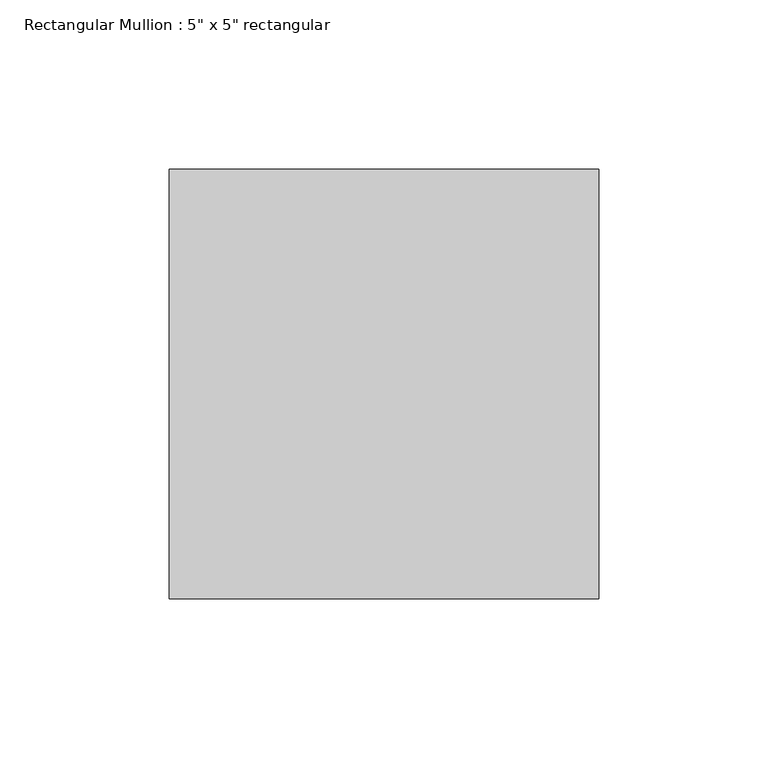
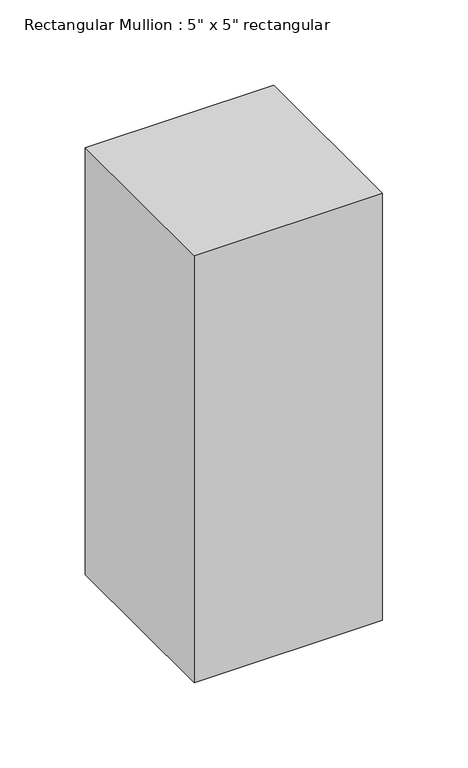
"""IFC4 building model written with IfcOpenShell, lengths in millimetres: member geometry."""

import ifcopenshell
import ifcopenshell.guid

model = None  # the IFC model being written
_history = None  # IfcOwnerHistory: only IFC2X3 demands one
_inside = {}  # id of a spatial element -> (the spatial element, [elements in it])
_under = {}  # id of a project, library or spatial element -> (it, [spatial elements below it])
_declared = {}  # id of a project -> (the project, [libraries it declares])
_typed = {}  # id of a type object -> (the type object, [elements of that type])
_made_of = {}  # id of a material, layer set ... -> (it, [elements and type objects made of it])


def new_model(schema):
    """Start an empty IFC model of exactly this schema.

    Asked for "IFC4X3", IfcOpenShell would pick the latest addendum, in which some entities
    have other attributes; the version numbers below select the first issue.
    IFC2X3 requires an IfcOwnerHistory on every rooted entity: one is made here for all.
    """
    global model, _history
    if schema == "IFC4X3":
        model = ifcopenshell.file(schema_version=(4, 3, 0, 0))
    else:
        model = ifcopenshell.file(schema=schema)
    _inside.clear()
    _under.clear()
    _declared.clear()
    _typed.clear()
    _made_of.clear()
    _history = None
    if model.schema == "IFC2X3":
        org = make("IfcOrganization", Name="unknown")
        user = make(
            "IfcPersonAndOrganization",
            ThePerson=make("IfcPerson", FamilyName="unknown"),
            TheOrganization=org,
        )
        app = make(
            "IfcApplication",
            ApplicationDeveloper=org,
            Version="unknown",
            ApplicationFullName="unknown",
            ApplicationIdentifier="unknown",
        )
        _history = make(
            "IfcOwnerHistory",
            OwningUser=user,
            OwningApplication=app,
            ChangeAction="ADDED",
            CreationDate=0,
        )
    return model


def make(cls, **values):
    """One entity of the class cls with the attributes given. An attribute that is None is left unset."""
    return model.create_entity(
        cls, **{name: value for name, value in values.items() if value is not None}
    )


def rooted(cls, **values):
    """An entity with a GlobalId (a new one), such as an element, a storey or a relation."""
    return make(cls, GlobalId=ifcopenshell.guid.new(), OwnerHistory=_history, **values)


def si_unit(unit_type, name, prefix=None):
    """IfcSIUnit, for example si_unit("LENGTHUNIT", "METRE", prefix="MILLI")."""
    return make("IfcSIUnit", UnitType=unit_type, Prefix=prefix, Name=name)


def assignment(units):
    """IfcUnitAssignment: the units of a project."""
    return None if units is None else make("IfcUnitAssignment", Units=units)


def point(xyz):
    """IfcCartesianPoint."""
    return None if xyz is None else make("IfcCartesianPoint", Coordinates=xyz)


def direction(xyz):
    """IfcDirection."""
    return None if xyz is None else make("IfcDirection", DirectionRatios=xyz)


def frame(location, z_axis=None, x_axis=None):
    """IfcAxis2Placement3D, a coordinate frame: its origin and axes. An axis left out is left unset."""
    return make(
        "IfcAxis2Placement3D",
        Location=point(location),
        Axis=direction(z_axis),
        RefDirection=direction(x_axis),
    )


def origin():
    """The frame at (0, 0, 0) with its axes left unset."""
    return frame((0.0, 0.0, 0.0))


def place(relative_to, where):
    """IfcLocalPlacement: puts the frame where relative to a parent placement (None: the world)."""
    return make(
        "IfcLocalPlacement", PlacementRelTo=relative_to, RelativePlacement=where
    )


def context(
    kind, dimensions, precision=None, world=None, true_north=None, identifier=None
):
    """IfcGeometricRepresentationContext, for example the 3D "Model" context."""
    return make(
        "IfcGeometricRepresentationContext",
        ContextIdentifier=identifier,
        ContextType=kind,
        CoordinateSpaceDimension=dimensions,
        Precision=precision,
        WorldCoordinateSystem=world,
        TrueNorth=true_north,
    )


def project(units=None, contexts=None):
    """IfcProject with its units and contexts."""
    return rooted(
        "IfcProject",
        Name="project",
        RepresentationContexts=contexts,
        UnitsInContext=assignment(units),
    )


def spatial(cls, under=None, at=None, **own):
    """A site, building, storey or space (cls), placed at a placement, below another one or the project."""
    s = rooted(cls, ObjectPlacement=at, **own)
    if under is not None:
        _under.setdefault(under.id(), (under, []))[1].append(s)
    return s


def polyline(points):
    """IfcPolyline through the points."""
    return make("IfcPolyline", Points=[point(p) for p in points])


def outline(outer, holes=None, kind="AREA"):
    """IfcArbitraryClosedProfileDef: a profile drawn as a closed curve; with holes, ...WithVoids."""
    if holes is None:
        return make("IfcArbitraryClosedProfileDef", ProfileType=kind, OuterCurve=outer)
    return make(
        "IfcArbitraryProfileDefWithVoids",
        ProfileType=kind,
        OuterCurve=outer,
        InnerCurves=holes,
    )


def extrude(swept, where, along, depth):
    """IfcExtrudedAreaSolid: the profile swept, set in the frame where, extruded along a direction by depth."""
    return make(
        "IfcExtrudedAreaSolid",
        SweptArea=swept,
        Position=where,
        ExtrudedDirection=direction(along),
        Depth=depth,
    )


def shape(context_of_items, identifier, shape_type, items):
    """IfcShapeRepresentation: the items that make up one representation, for example the "Body"."""
    return make(
        "IfcShapeRepresentation",
        ContextOfItems=context_of_items,
        RepresentationIdentifier=identifier,
        RepresentationType=shape_type,
        Items=items,
    )


def source(mapping_origin, context_of_items, identifier, shape_type, items):
    """IfcRepresentationMap: a shape defined once, which mapped items show again and again."""
    return make(
        "IfcRepresentationMap",
        MappingOrigin=mapping_origin,
        MappedRepresentation=shape(context_of_items, identifier, shape_type, items),
    )


def transform(
    local_origin,
    x_axis=None,
    y_axis=None,
    z_axis=None,
    scale=None,
    scale2=None,
    scale3=None,
    uniform=True,
):
    """IfcCartesianTransformationOperator3D, or its non-uniform kind. x_axis, y_axis, z_axis: its Axis1, 2, 3."""
    if uniform:
        return make(
            "IfcCartesianTransformationOperator3D",
            Axis1=direction(x_axis),
            Axis2=direction(y_axis),
            LocalOrigin=point(local_origin),
            Scale=scale,
            Axis3=direction(z_axis),
        )
    return make(
        "IfcCartesianTransformationOperator3DnonUniform",
        Axis1=direction(x_axis),
        Axis2=direction(y_axis),
        LocalOrigin=point(local_origin),
        Scale=scale,
        Axis3=direction(z_axis),
        Scale2=scale2,
        Scale3=scale3,
    )


def mapped(mapping_source, mapping_target):
    """IfcMappedItem: shows the shape of a source again, moved by a transform."""
    return make(
        "IfcMappedItem", MappingSource=mapping_source, MappingTarget=mapping_target
    )


def made_of(thing, what):
    """Note that an element or type object is made of a material, layer set ...; save() writes the relation."""
    if what is not None:
        _made_of.setdefault(what.id(), (what, []))[1].append(thing)
    return thing


def element(
    cls,
    number,
    at=None,
    inside=None,
    cuts=None,
    type_object=None,
    material=None,
    context=None,
    identifier="Body",
    shape_type=None,
    held_by="IfcProductDefinitionShape",
    body=None,
    shapes=None,
    **own,
):
    """One element of the class cls, such as IfcWall. Its Tag is "e" and its number.

    at: its placement. inside: the storey or other place that contains it. cuts: it is an
    opening in that element (IfcRelVoidsElement). A single representation is given by context,
    identifier, shape_type and body (its items); several are given by shapes. held_by: the class
    of the entity that holds the representations. save() writes the other relations.
    """
    e = rooted(cls, Tag="e%d" % number, ObjectPlacement=at, **own)
    if body is not None:
        shapes = [shape(context, identifier, shape_type, body)]
    if shapes is not None:
        e.Representation = make(held_by, Representations=shapes)
    if inside is not None:
        _inside.setdefault(inside.id(), (inside, []))[1].append(e)
    if cuts is not None:
        rooted(
            "IfcRelVoidsElement", RelatingBuildingElement=cuts, RelatedOpeningElement=e
        )
    if type_object is not None:
        _typed.setdefault(type_object.id(), (type_object, []))[1].append(e)
    return made_of(e, material)


def aggregate(whole, parts):
    """IfcRelAggregates: a whole, such as a stair, and the parts it consists of."""
    return rooted("IfcRelAggregates", RelatingObject=whole, RelatedObjects=parts)


def save(model, path):
    """Write the relations noted so far, then the file.

    IfcRelAggregates (storeys below a building ...), IfcRelContainedInSpatialStructure (elements
    in a storey), IfcRelDefinesByType, IfcRelAssociatesMaterial and IfcRelDeclares: one each for
    every whole, place, type object, material and project.
    """
    for whole, parts in _under.values():
        aggregate(whole, parts)
    for where, things in _inside.values():
        rooted(
            "IfcRelContainedInSpatialStructure",
            RelatedElements=things,
            RelatingStructure=where,
        )
    for kind, things in _typed.values():
        rooted("IfcRelDefinesByType", RelatedObjects=things, RelatingType=kind)
    for what, things in _made_of.values():
        rooted("IfcRelAssociatesMaterial", RelatedObjects=things, RelatingMaterial=what)
    for by, libraries in _declared.values():
        rooted("IfcRelDeclares", RelatingContext=by, RelatedDefinitions=libraries)
    model.write(path)


def member_2e0255ee(model_context):
    return source(origin(), model_context, "Body", "SweptSolid", [
        extrude(outline(polyline([(0.0, 63.5), (0.0, -63.5), (-127.0, -63.5), (-127.0, 63.5), (0.0, 63.5)])), frame((0.0, 0.0, -304.8), z_axis=(0.0, 0.0, 1.0), x_axis=(1.0, 0.0, 0.0)), (0.0, 0.0, 1.0), 304.8),
    ])


if __name__ == "__main__":
    model = new_model("IFC4")
    model_context = context("Model", 3, world=origin())
    ifc_project = project(units=[si_unit("LENGTHUNIT", "METRE", prefix="MILLI")], contexts=[model_context])
    site = spatial("IfcSite", under=ifc_project)
    building = spatial("IfcBuilding", under=site)
    placement = place(None, origin())
    member_shape = member_2e0255ee(model_context)
    element("IfcMember", 1, ObjectType="Rectangular Mullion : 5\" x 5\" rectangular", at=placement, inside=building, context=model_context, shape_type="MappedRepresentation", body=[
        mapped(member_shape, transform((0.0, 0.0, 0.0), x_axis=(1.0, 0.0, 0.0), y_axis=(0.0, 1.0, 0.0), z_axis=(0.0, 0.0, 1.0))),
    ])
    save(model, "model.ifc")
